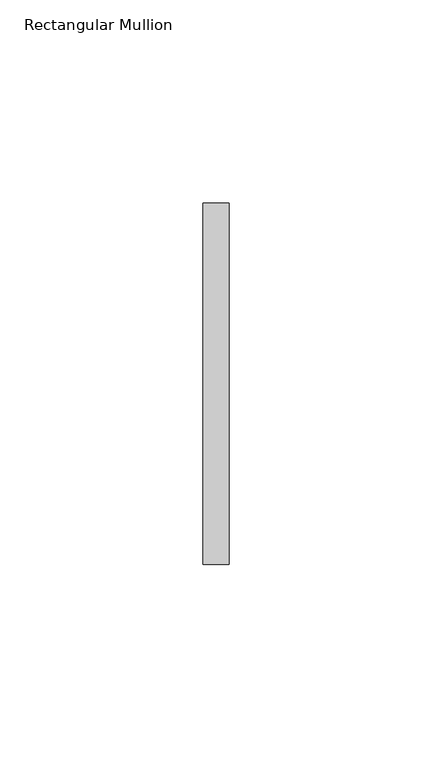
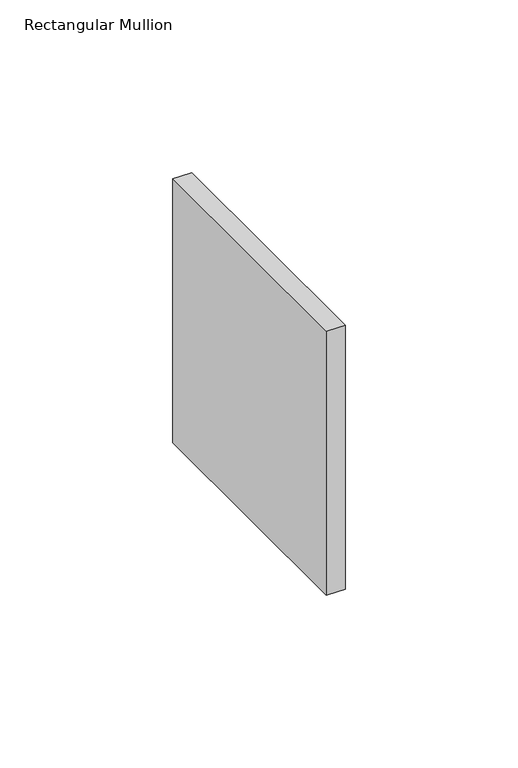
"""IFC4 building model written with IfcOpenShell, lengths in millimetres: member geometry, Rectangular Mullion."""

from ifc_helpers import new_model, si_unit, frame, origin, place, context, project, spatial, polyline, outline, extrude, source, transform, mapped, element, save


def rectangular_mullion_b1d95b55(model_context):
    return source(origin(), model_context, "Body", "SweptSolid", [
        extrude(outline(polyline([(0.0, 44.45), (0.0, -44.45), (-6.35, -44.45), (-6.35, 44.45), (0.0, 44.45)])), frame((0.0, 0.0, -93.2766013), z_axis=(0.0, 0.0, 1.0), x_axis=(1.0, 0.0, 0.0)), (0.0, 0.0, 1.0), 93.2766013),
    ])


if __name__ == "__main__":
    model = new_model("IFC4")
    model_context = context("Model", 3, world=origin())
    ifc_project = project(units=[si_unit("LENGTHUNIT", "METRE", prefix="MILLI")], contexts=[model_context])
    site = spatial("IfcSite", under=ifc_project)
    building = spatial("IfcBuilding", under=site)
    placement = place(None, origin())
    rectangular_mullion_shape = rectangular_mullion_b1d95b55(model_context)
    element("IfcMember", 1, ObjectType="Rectangular Mullion", at=placement, inside=building, context=model_context, shape_type="MappedRepresentation", body=[
        mapped(rectangular_mullion_shape, transform((0.0, 0.0, 0.0), x_axis=(1.0, 0.0, 0.0), y_axis=(0.0, 1.0, 0.0), z_axis=(0.0, 0.0, 1.0))),
    ])
    save(model, "model.ifc")
